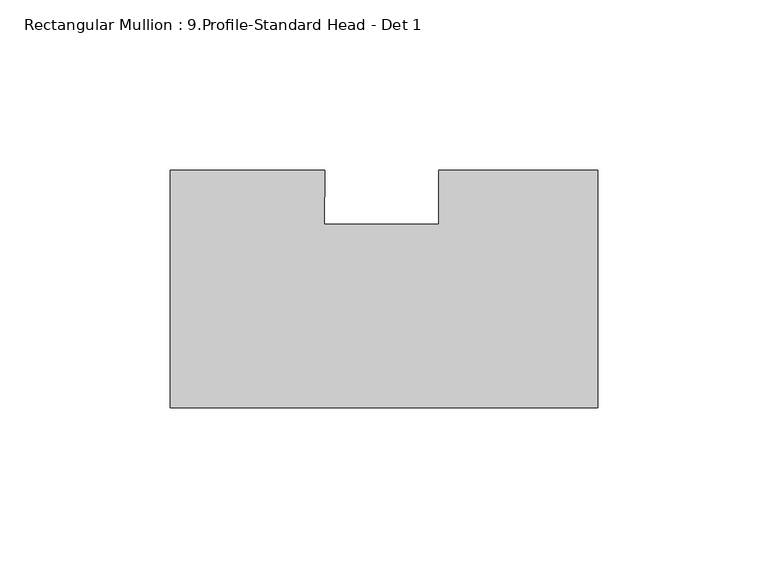
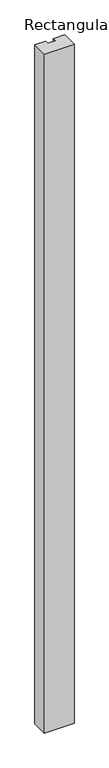
"""IFC4 building model written with IfcOpenShell, lengths in millimetres: member geometry, Rectangular Mullion : 9.Profile-Standard Head - Det 1."""

from ifc_helpers import new_model, si_unit, frame, origin, place, context, project, spatial, polyline, outline, extrude, source, transform, mapped, element, save


def rectangular_mullion_9_profile_standard_head_det_1_bd9760a6(model_context):
    return source(origin(), model_context, "Body", "SweptSolid", [
        extrude(outline(polyline([(-125.7808, -34.925), (-125.7808, 34.925), (-80.2810629, 34.925), (-80.4751121, 19.05), (-46.8497888, 19.05), (-46.8497888, 34.925), (0.0, 34.925), (0.0, -34.925), (-125.7808, -34.925)])), frame((0.0, 0.0, -3048.0), z_axis=(0.0, 0.0, 1.0), x_axis=(1.0, 0.0, 0.0)), (0.0, 0.0, 1.0), 3048.0),
    ])


if __name__ == "__main__":
    model = new_model("IFC4")
    model_context = context("Model", 3, world=origin())
    ifc_project = project(units=[si_unit("LENGTHUNIT", "METRE", prefix="MILLI")], contexts=[model_context])
    site = spatial("IfcSite", under=ifc_project)
    building = spatial("IfcBuilding", under=site)
    placement = place(None, origin())
    rectangular_mullion_9_profile_standard_head_det_1_shape = rectangular_mullion_9_profile_standard_head_det_1_bd9760a6(model_context)
    element("IfcMember", 1, ObjectType="Rectangular Mullion : 9.Profile-Standard Head - Det 1", at=placement, inside=building, context=model_context, shape_type="MappedRepresentation", body=[
        mapped(rectangular_mullion_9_profile_standard_head_det_1_shape, transform((0.0, 0.0, 0.0), x_axis=(1.0, 0.0, 0.0), y_axis=(0.0, 1.0, 0.0), z_axis=(0.0, 0.0, 1.0))),
    ])
    save(model, "model.ifc")
